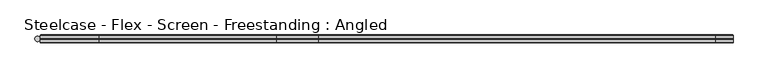
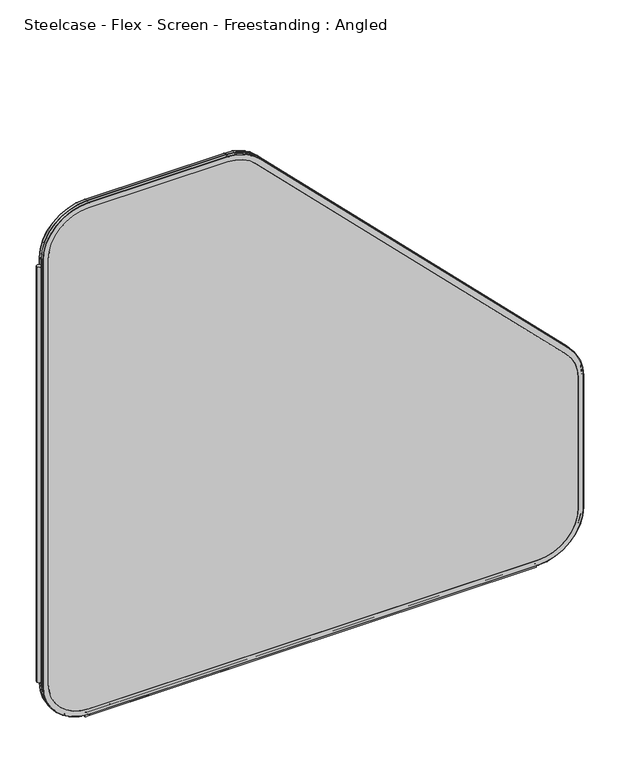
"""IFC4 building model written with IfcOpenShell, lengths in millimetres: furniture geometry, Steelcase - Flex - Screen - Freestanding : Angled."""

from ifc_helpers import new_model, si_unit, point, frame, frame_2d, origin, place, context, project, spatial, polyline, circle_curve, ellipse_curve, trimmed, segment, composite_curve, outline, extrude, source, transform, mapped, element, save
from ifc_brep_helpers import plane_surface, cylinder_surface, revolved_surface, advanced_brep


def steelcase_flex_screen_freestanding_angled_8fabaf15(model_context):
    return source(origin(), model_context, "Body", "SolidModel", [
        extrude(outline(composite_curve([segment(trimmed(circle_curve(frame_2d((4.5307839, 0.0)), 4.572), [point((-0.0412161, 0.0))], [point((9.1027839, 0.0))], False, "CARTESIAN"), True, "CONTINUOUS"), segment(trimmed(circle_curve(frame_2d((4.5307839, 0.0)), 4.572), [point((9.1027839, 0.0))], [point((-0.0412161, 0.0))], False, "CARTESIAN"), True, "CONTINUOUS")], self_intersect=False)), frame((0.0, 0.0, 115.57), z_axis=(0.0, 0.0, 1.0), x_axis=(1.0, 0.0, 0.0)), (0.0, 0.0, 1.0), 969.9585855),
        advanced_brep(
        [(110.7653521, 5.9845715, 4.9996464), (9.1653521, 5.9845715, 106.5996464), (10.0387806, 6.858, 106.5996464), (110.7653521, 6.858, 5.8730749), (110.7653521, 0.762, 4.9996464), (9.1653521, 0.762, 106.5996464), (110.7653521, 0.0, 5.7616464), (9.9273521, 0.0, 106.5996464), (110.7653521, 6.858, 17.6996464), (21.8653521, 6.858, 106.5996464), (21.8653521, 0.0, 106.5996464), (110.7653521, 0.0, 17.6996464), (1103.6053316, 6.858, 5.8730749), (1103.6053316, 5.9845715, 4.9996464), (1103.6053316, 0.762, 4.9996464), (1103.6053316, 0.0, 5.7616464), (1103.6053316, 0.0, 17.6996464), (1103.6053316, 6.858, 17.6996464), (1205.2053316, 5.9845715, 106.5996464), (1204.3319031, 6.858, 106.5996464), (1205.2053316, 0.762, 106.5996464), (1204.4433316, 0.0, 106.5996464), (1192.5053316, 6.858, 106.5996464), (1192.5053316, 0.0, 106.5996464), (1204.3319031, 6.858, 413.7098783), (1205.2053316, 5.9845715, 413.7098783), (1205.2053316, 0.762, 413.7098783), (1204.4433316, 0.0, 413.7098783), (1192.5053316, 0.0, 413.7098783), (1192.5053316, 6.858, 413.7098783), (1175.4473806, 5.9845715, 485.5519272), (1174.8297734, 6.858, 484.93432), (1175.4473806, 0.762, 485.5519272), (1174.9085652, 0.0, 485.0131119), (1166.4671245, 6.858, 476.5716711), (1166.4671245, 0.0, 476.5716711), (489.0410661, 6.858, 1170.7230273), (489.6586733, 5.9845715, 1171.3406345), (489.6586733, 0.762, 1171.3406345), (489.119858, 0.0, 1170.8018191), (480.6784172, 0.0, 1162.3603784), (480.6784172, 6.858, 1162.3603784), (417.8166244, 5.9845715, 1201.0985855), (417.8166244, 6.858, 1200.225157), (417.8166244, 0.762, 1201.0985855), (417.8166244, 0.0, 1200.3365855), (417.8166244, 6.858, 1188.3985855), (417.8166244, 0.0, 1188.3985855), (110.7653521, 6.858, 1200.225157), (110.7653521, 5.9845715, 1201.0985855), (110.7653521, 0.762, 1201.0985855), (110.7653521, 0.0, 1200.3365855), (110.7653521, 0.0, 1188.3985855), (110.7653521, 6.858, 1188.3985855), (9.1653521, 5.9845715, 1099.4985855), (10.0387806, 6.858, 1099.4985855), (9.1653521, 0.762, 1099.4985855), (9.9273521, 0.0, 1099.4985855), (21.8653521, 6.858, 1099.4985855), (21.8653521, 0.0, 1099.4985855)],
        [
            (0, 1, circle_curve(frame((110.7653521, 5.9845715, 106.5996464), z_axis=(0.0, 1.0, 0.0), x_axis=(-1.0, 0.0, 0.0)), 101.6)),
            (1, 2, circle_curve(frame((10.0387806, 5.9845715, 106.5996464), z_axis=(0.0, 0.0, -1.0), x_axis=(0.0, -1.0, 0.0)), 0.8734285)),
            (2, 3, circle_curve(frame((110.7653521, 6.858, 106.5996464), z_axis=(0.0, -1.0, 0.0), x_axis=(-1.0, 0.0, 0.0)), 100.7265715)),
            (3, 0, circle_curve(frame((110.7653521, 5.9845715, 5.8730749), z_axis=(-1.0, 0.0, 0.0), x_axis=(0.0, -1.0, 0.0)), 0.8734285)),
            (4, 5, circle_curve(frame((110.7653521, 0.762, 106.5996464), z_axis=(0.0, 1.0, 0.0), x_axis=(-1.0, 0.0, 0.0)), 101.6)),
            (5, 1),
            (0, 4),
            (6, 7, circle_curve(frame((110.7653521, 0.0, 106.5996464), z_axis=(0.0, 1.0, 0.0), x_axis=(-1.0, 0.0, 0.0)), 100.838)),
            (7, 5, circle_curve(frame((9.9273521, 0.762, 106.5996464), z_axis=(0.0, 0.0, -1.0), x_axis=(0.0, -1.0, 0.0)), 0.762)),
            (4, 6, circle_curve(frame((110.7653521, 0.762, 5.7616464), z_axis=(-1.0, 0.0, 0.0), x_axis=(0.0, -1.0, 0.0)), 0.762)),
            (8, 9, circle_curve(frame((110.7653521, 6.858, 106.5996464), z_axis=(0.0, 1.0, 0.0), x_axis=(-1.0, 0.0, 0.0)), 88.9)),
            (9, 10),
            (10, 11, circle_curve(frame((110.7653521, 0.0, 106.5996464), z_axis=(0.0, -1.0, 0.0), x_axis=(-1.0, 0.0, 0.0)), 88.9)),
            (11, 8),
            (3, 12),
            (12, 13, circle_curve(frame((1103.6053316, 5.9845715, 5.8730749), z_axis=(-1.0, 0.0, 0.0), x_axis=(0.0, -1.0, 0.0)), 0.8734285)),
            (13, 0),
            (13, 14),
            (14, 4),
            (14, 15, circle_curve(frame((1103.6053316, 0.762, 5.7616464), z_axis=(-1.0, 0.0, 0.0), x_axis=(0.0, -1.0, 0.0)), 0.762)),
            (15, 6),
            (11, 16),
            (16, 17),
            (17, 8),
            (18, 13, circle_curve(frame((1103.6053316, 5.9845715, 106.5996464), z_axis=(0.0, 1.0, 0.0), x_axis=(0.0, 0.0, -1.0)), 101.6)),
            (12, 19, circle_curve(frame((1103.6053316, 6.858, 106.5996464), z_axis=(0.0, -1.0, 0.0), x_axis=(0.0, 0.0, -1.0)), 100.7265715)),
            (19, 18, circle_curve(frame((1204.3319031, 5.9845715, 106.5996464), z_axis=(0.0, 0.0, -1.0), x_axis=(0.0, -1.0, 0.0)), 0.8734285)),
            (20, 14, circle_curve(frame((1103.6053316, 0.762, 106.5996464), z_axis=(0.0, 1.0, 0.0), x_axis=(0.0, 0.0, -1.0)), 101.6)),
            (18, 20),
            (21, 15, circle_curve(frame((1103.6053316, 0.0, 106.5996464), z_axis=(0.0, 1.0, 0.0), x_axis=(0.0, 0.0, -1.0)), 100.838)),
            (20, 21, circle_curve(frame((1204.4433316, 0.762, 106.5996464), z_axis=(0.0, 0.0, -1.0), x_axis=(0.0, -1.0, 0.0)), 0.762)),
            (22, 17, circle_curve(frame((1103.6053316, 6.858, 106.5996464), z_axis=(0.0, 1.0, 0.0), x_axis=(0.0, 0.0, -1.0)), 88.9)),
            (16, 23, circle_curve(frame((1103.6053316, 0.0, 106.5996464), z_axis=(0.0, -1.0, 0.0), x_axis=(0.0, 0.0, -1.0)), 88.9)),
            (23, 22),
            (19, 24),
            (24, 25, circle_curve(frame((1204.3319031, 5.9845715, 413.7098783), z_axis=(0.0, 0.0, -1.0), x_axis=(0.0, -1.0, 0.0)), 0.8734285)),
            (25, 18),
            (25, 26),
            (26, 20),
            (26, 27, circle_curve(frame((1204.4433316, 0.762, 413.7098783), z_axis=(0.0, 0.0, -1.0), x_axis=(0.0, -1.0, 0.0)), 0.762)),
            (27, 21),
            (23, 28),
            (28, 29),
            (29, 22),
            (30, 25, circle_curve(frame((1103.6053316, 5.9845715, 413.7098783), z_axis=(0.0, 1.0, 0.0), x_axis=(1.0, 0.0, 0.0)), 101.6)),
            (24, 31, circle_curve(frame((1103.6053316, 6.858, 413.7098783), z_axis=(0.0, -1.0, 0.0), x_axis=(1.0, 0.0, 0.0)), 100.7265715)),
            (31, 30, circle_curve(frame((1174.8297734, 5.9845715, 484.93432), z_axis=(0.7071067811865452, 0.0, -0.7071067811865498), x_axis=(0.0, -1.0, 0.0)), 0.8734285)),
            (32, 26, circle_curve(frame((1103.6053316, 0.762, 413.7098783), z_axis=(0.0, 1.0, 0.0), x_axis=(1.0, 0.0, 0.0)), 101.6)),
            (30, 32),
            (33, 27, circle_curve(frame((1103.6053316, 0.0, 413.7098783), z_axis=(0.0, 1.0, 0.0), x_axis=(1.0, 0.0, 0.0)), 100.838)),
            (32, 33, circle_curve(frame((1174.9085652, 0.762, 485.0131119), z_axis=(0.7071067811865456, 0.0, -0.7071067811865496), x_axis=(0.0, -1.0, 0.0)), 0.762)),
            (34, 29, circle_curve(frame((1103.6053316, 6.858, 413.7098783), z_axis=(0.0, 1.0, 0.0), x_axis=(1.0, 0.0, 0.0)), 88.9)),
            (28, 35, circle_curve(frame((1103.6053316, 0.0, 413.7098783), z_axis=(0.0, -1.0, 0.0), x_axis=(1.0, 0.0, 0.0)), 88.9)),
            (35, 34),
            (31, 36),
            (36, 37, circle_curve(frame((489.0410661, 5.9845715, 1170.7230273), z_axis=(0.7071067811865461, 0.0, -0.7071067811865489), x_axis=(0.0, -1.0, 0.0)), 0.8734285)),
            (37, 30),
            (37, 38),
            (38, 32),
            (38, 39, circle_curve(frame((489.119858, 0.762, 1170.8018191), z_axis=(0.7071067811865461, 0.0, -0.7071067811865489), x_axis=(0.0, -1.0, 0.0)), 0.762)),
            (39, 33),
            (35, 40),
            (40, 41),
            (41, 34),
            (42, 37, circle_curve(frame((417.8166244, 5.9845715, 1099.4985855), z_axis=(0.0, 1.0, 0.0), x_axis=(0.7071067811865533, 0.0, 0.7071067811865417)), 101.6)),
            (36, 43, circle_curve(frame((417.8166244, 6.858, 1099.4985855), z_axis=(0.0, -1.0, 0.0), x_axis=(0.7071067811865533, 0.0, 0.7071067811865417)), 100.7265715)),
            (43, 42, circle_curve(frame((417.8166244, 5.9845715, 1200.225157), z_axis=(1.0, 0.0, 0.0), x_axis=(0.0, -1.0, 0.0)), 0.8734285)),
            (44, 38, circle_curve(frame((417.8166244, 0.762, 1099.4985855), z_axis=(0.0, 1.0, 0.0), x_axis=(0.7071067811865533, 0.0, 0.7071067811865417)), 101.6)),
            (42, 44),
            (45, 39, circle_curve(frame((417.8166244, 0.0, 1099.4985855), z_axis=(0.0, 1.0, 0.0), x_axis=(0.7071067811865533, 0.0, 0.7071067811865417)), 100.838)),
            (44, 45, circle_curve(frame((417.8166244, 0.762, 1200.3365855), z_axis=(1.0, 0.0, 0.0), x_axis=(0.0, -1.0, 0.0)), 0.762)),
            (46, 41, circle_curve(frame((417.8166244, 6.858, 1099.4985855), z_axis=(0.0, 1.0, 0.0), x_axis=(0.7071067811865533, 0.0, 0.7071067811865417)), 88.9)),
            (40, 47, circle_curve(frame((417.8166244, 0.0, 1099.4985855), z_axis=(0.0, -1.0, 0.0), x_axis=(0.7071067811865533, 0.0, 0.7071067811865417)), 88.9)),
            (47, 46),
            (43, 48),
            (48, 49, circle_curve(frame((110.7653521, 5.9845715, 1200.225157), z_axis=(1.0, 0.0, 0.0), x_axis=(0.0, -1.0, 0.0)), 0.8734285)),
            (49, 42),
            (49, 50),
            (50, 44),
            (50, 51, circle_curve(frame((110.7653521, 0.762, 1200.3365855), z_axis=(1.0, 0.0, 0.0), x_axis=(0.0, -1.0, 0.0)), 0.762)),
            (51, 45),
            (47, 52),
            (52, 53),
            (53, 46),
            (54, 49, circle_curve(frame((110.7653521, 5.9845715, 1099.4985855), z_axis=(0.0, 1.0, 0.0), x_axis=(0.0, 0.0, 1.0)), 101.6)),
            (48, 55, circle_curve(frame((110.7653521, 6.858, 1099.4985855), z_axis=(0.0, -1.0, 0.0), x_axis=(0.0, 0.0, 1.0)), 100.7265715)),
            (55, 54, circle_curve(frame((10.0387806, 5.9845715, 1099.4985855), z_axis=(0.0, 0.0, 1.0), x_axis=(0.0, -1.0, 0.0)), 0.8734285)),
            (56, 50, circle_curve(frame((110.7653521, 0.762, 1099.4985855), z_axis=(0.0, 1.0, 0.0), x_axis=(0.0, 0.0, 1.0)), 101.6)),
            (54, 56),
            (57, 51, circle_curve(frame((110.7653521, 0.0, 1099.4985855), z_axis=(0.0, 1.0, 0.0), x_axis=(0.0, 0.0, 1.0)), 100.838)),
            (56, 57, circle_curve(frame((9.9273521, 0.762, 1099.4985855), z_axis=(0.0, 0.0, 1.0), x_axis=(0.0, -1.0, 0.0)), 0.762)),
            (58, 53, circle_curve(frame((110.7653521, 6.858, 1099.4985855), z_axis=(0.0, 1.0, 0.0), x_axis=(0.0, 0.0, 1.0)), 88.9)),
            (52, 59, circle_curve(frame((110.7653521, 0.0, 1099.4985855), z_axis=(0.0, -1.0, 0.0), x_axis=(0.0, 0.0, 1.0)), 88.9)),
            (59, 58),
            (2, 55),
            (58, 9),
            (1, 54),
            (5, 56),
            (7, 57),
            (10, 59),
        ],
        [
            revolved_surface(trimmed(ellipse_curve(frame((10.0387806, 5.9845715, 106.5996464), z_axis=(0.0, 0.0, 1.0), x_axis=(0.0, -1.0, 0.0)), 0.8734285, 0.8734285), [point((10.0387806, 6.858, 106.5996464))], [point((9.1653521, 5.9845715, 106.5996464))], True, "CARTESIAN"), (110.7653521, 0.0, 106.5996464), (0.0, -1.0, 0.0)),
            cylinder_surface(frame((110.7653521, 0.0, 106.5996464), z_axis=(0.0, -1.0, 0.0), x_axis=(-1.0, 0.0, 0.0)), 101.6),
            revolved_surface(trimmed(ellipse_curve(frame((9.9273521, 0.762, 106.5996464), z_axis=(0.0, 0.0, 1.0), x_axis=(0.0, -1.0, 0.0)), 0.762, 0.762), [point((9.1653521, 0.762, 106.5996464))], [point((9.9273521, 0.0, 106.5996464))], True, "CARTESIAN"), (110.7653521, 0.0, 106.5996464), (0.0, -1.0, 0.0)),
            revolved_surface(polyline([(21.865352099999996, 0.0, 106.5996464), (21.865352099999996, 6.858, 106.5996464)]), (110.7653521, 0.0, 106.5996464), (0.0, -1.0, 0.0)),
            cylinder_surface(frame((110.7653521, 5.9845715, 5.8730749), z_axis=(-1.0, 0.0, 0.0), x_axis=(0.0, -1.0, 0.0)), 0.8734285),
            plane_surface(frame((110.7653521, 5.9845715, 4.9996464), z_axis=(0.0, 0.0, -1.0), x_axis=(1.0, 0.0, 0.0))),
            cylinder_surface(frame((110.7653521, 0.762, 5.7616464), z_axis=(-1.0, 0.0, 0.0), x_axis=(0.0, -1.0, 0.0)), 0.762),
            plane_surface(frame((110.7653521, 0.0, 17.6996464), z_axis=(0.0, 0.0, 1.0), x_axis=(1.0, 0.0, 0.0))),
            revolved_surface(trimmed(ellipse_curve(frame((1103.6053316, 5.9845715, 5.8730749), z_axis=(-1.0, 0.0, 0.0), x_axis=(0.0, -1.0, 0.0)), 0.8734285, 0.8734285), [point((1103.6053316, 6.858, 5.8730749))], [point((1103.6053316, 5.9845715, 4.9996464))], True, "CARTESIAN"), (1103.6053316, 0.0, 106.5996464), (0.0, -1.0, 0.0)),
            cylinder_surface(frame((1103.6053316, 0.0, 106.5996464), z_axis=(0.0, -1.0, 0.0), x_axis=(0.0, 0.0, -1.0)), 101.6),
            revolved_surface(trimmed(ellipse_curve(frame((1103.6053316, 0.762, 5.7616464), z_axis=(-1.0, 0.0, 0.0), x_axis=(0.0, -1.0, 0.0)), 0.762, 0.762), [point((1103.6053316, 0.762, 4.9996464))], [point((1103.6053316, 0.0, 5.7616464))], True, "CARTESIAN"), (1103.6053316, 0.0, 106.5996464), (0.0, -1.0, 0.0)),
            revolved_surface(polyline([(1103.6053316, 0.0, 17.699646399999992), (1103.6053316, 6.858, 17.699646399999992)]), (1103.6053316, 0.0, 106.5996464), (0.0, -1.0, 0.0)),
            cylinder_surface(frame((1204.3319031, 5.9845715, 106.5996464), z_axis=(0.0, 0.0, -1.0), x_axis=(0.0, -1.0, 0.0)), 0.8734285),
            plane_surface(frame((1205.2053316, 5.9845715, 106.5996464), z_axis=(1.0, 0.0, 0.0), x_axis=(0.0, 0.0, 1.0))),
            cylinder_surface(frame((1204.4433316, 0.762, 106.5996464), z_axis=(0.0, 0.0, -1.0), x_axis=(0.0, -1.0, 0.0)), 0.762),
            plane_surface(frame((1192.5053316, 0.0, 106.5996464), z_axis=(-1.0, 0.0, 0.0), x_axis=(0.0, 0.0, 1.0))),
            revolved_surface(trimmed(ellipse_curve(frame((1204.3319031, 5.9845715, 413.7098783), z_axis=(0.0, 0.0, -1.0), x_axis=(0.0, -1.0, 0.0)), 0.8734285, 0.8734285), [point((1204.3319031, 6.858, 413.7098783))], [point((1205.2053316, 5.9845715, 413.7098783))], True, "CARTESIAN"), (1103.6053316, 0.0, 413.7098783), (0.0, -1.0, 0.0)),
            cylinder_surface(frame((1103.6053316, 0.0, 413.7098783), z_axis=(0.0, -1.0, 0.0), x_axis=(1.0, 0.0, 0.0)), 101.6),
            revolved_surface(trimmed(ellipse_curve(frame((1204.4433316, 0.762, 413.7098783), z_axis=(0.0, 0.0, -1.0), x_axis=(0.0, -1.0, 0.0)), 0.762, 0.762), [point((1205.2053316, 0.762, 413.7098783))], [point((1204.4433316, 0.0, 413.7098783))], True, "CARTESIAN"), (1103.6053316, 0.0, 413.7098783), (0.0, -1.0, 0.0)),
            revolved_surface(polyline([(1192.5053316, 0.0, 413.7098783), (1192.5053316, 6.858, 413.7098783)]), (1103.6053316, 0.0, 413.7098783), (0.0, -1.0, 0.0)),
            cylinder_surface(frame((1174.8297734, 5.9845715, 484.93432), z_axis=(0.7071067811865461, 0.0, -0.7071067811865489), x_axis=(0.0, -1.0, 0.0)), 0.8734285),
            plane_surface(frame((1175.4473806, 5.9845715, 485.5519272), z_axis=(0.7071067811865491, 0.0, 0.707106781186546), x_axis=(-0.707106781186546, 0.0, 0.7071067811865491))),
            cylinder_surface(frame((1174.9085652, 0.762, 485.0131119), z_axis=(0.7071067811865461, 0.0, -0.7071067811865489), x_axis=(0.0, -1.0, 0.0)), 0.762),
            plane_surface(frame((1166.4671245, 0.0, 476.5716711), z_axis=(-0.7071067811865491, 0.0, -0.7071067811865459), x_axis=(-0.7071067811865459, 0.0, 0.7071067811865491))),
            revolved_surface(trimmed(ellipse_curve(frame((489.0410661, 5.9845715, 1170.7230273), z_axis=(0.7071067811865419, 0.0, -0.7071067811865531), x_axis=(0.0, -1.0, 0.0)), 0.8734285, 0.8734285), [point((489.0410661, 6.858, 1170.7230273))], [point((489.6586733, 5.9845715, 1171.3406345))], True, "CARTESIAN"), (417.8166244, 0.0, 1099.4985855), (0.0, -1.0, 0.0)),
            cylinder_surface(frame((417.8166244, 0.0, 1099.4985855), z_axis=(0.0, -1.0, 0.0), x_axis=(0.7071067811865533, 0.0, 0.7071067811865417)), 101.6),
            revolved_surface(trimmed(ellipse_curve(frame((489.119858, 0.762, 1170.8018191), z_axis=(0.7071067811865419, 0.0, -0.7071067811865531), x_axis=(0.0, -1.0, 0.0)), 0.762, 0.762), [point((489.6586733, 0.762, 1171.3406345))], [point((489.119858, 0.0, 1170.8018191))], True, "CARTESIAN"), (417.8166244, 0.0, 1099.4985855), (0.0, -1.0, 0.0)),
            revolved_surface(polyline([(480.6784172474846, 0.0, 1162.3603783474834), (480.6784172474846, 6.858, 1162.3603783474834)]), (417.8166244, 0.0, 1099.4985855), (0.0, -1.0, 0.0)),
            cylinder_surface(frame((417.8166244, 5.9845715, 1200.225157), z_axis=(1.0, 0.0, 0.0), x_axis=(0.0, -1.0, 0.0)), 0.8734285),
            plane_surface(frame((417.8166244, 5.9845715, 1201.0985855), z_axis=(0.0, 0.0, 1.0), x_axis=(-1.0, 0.0, 0.0))),
            cylinder_surface(frame((417.8166244, 0.762, 1200.3365855), z_axis=(1.0, 0.0, 0.0), x_axis=(0.0, -1.0, 0.0)), 0.762),
            plane_surface(frame((417.8166244, 0.0, 1188.3985855), z_axis=(0.0, 0.0, -1.0), x_axis=(-1.0, 0.0, 0.0))),
            revolved_surface(trimmed(ellipse_curve(frame((110.7653521, 5.9845715, 1200.225157), z_axis=(1.0, 0.0, 0.0), x_axis=(0.0, -1.0, 0.0)), 0.8734285, 0.8734285), [point((110.7653521, 6.858, 1200.225157))], [point((110.7653521, 5.9845715, 1201.0985855))], True, "CARTESIAN"), (110.7653521, 0.0, 1099.4985855), (0.0, -1.0, 0.0)),
            cylinder_surface(frame((110.7653521, 0.0, 1099.4985855), z_axis=(0.0, -1.0, 0.0), x_axis=(0.0, 0.0, 1.0)), 101.6),
            revolved_surface(trimmed(ellipse_curve(frame((110.7653521, 0.762, 1200.3365855), z_axis=(1.0, 0.0, 0.0), x_axis=(0.0, -1.0, 0.0)), 0.762, 0.762), [point((110.7653521, 0.762, 1201.0985855))], [point((110.7653521, 0.0, 1200.3365855))], True, "CARTESIAN"), (110.7653521, 0.0, 1099.4985855), (0.0, -1.0, 0.0)),
            revolved_surface(polyline([(110.7653521, 0.0, 1188.3985855), (110.7653521, 6.858, 1188.3985855)]), (110.7653521, 0.0, 1099.4985855), (0.0, -1.0, 0.0)),
            plane_surface(frame((21.8653521, 6.858, 1099.4985855), z_axis=(0.0, 1.0, 0.0), x_axis=(0.0, 0.0, -1.0))),
            cylinder_surface(frame((10.0387806, 5.9845715, 1099.4985855), z_axis=(0.0, 0.0, 1.0), x_axis=(0.0, -1.0, 0.0)), 0.8734285),
            plane_surface(frame((9.1653521, 5.9845715, 1099.4985855), z_axis=(-1.0, 0.0, 0.0), x_axis=(0.0, 0.0, -1.0))),
            cylinder_surface(frame((9.9273521, 0.762, 1099.4985855), z_axis=(0.0, 0.0, 1.0), x_axis=(0.0, -1.0, 0.0)), 0.762),
            plane_surface(frame((9.9273521, 0.0, 1099.4985855), z_axis=(0.0, -1.0, 0.0), x_axis=(0.0, 0.0, -1.0))),
            plane_surface(frame((21.8653521, 0.0, 1099.4985855), z_axis=(1.0, 0.0, 0.0), x_axis=(0.0, 0.0, -1.0))),
        ],
        [
            (0, [[1, 2, 3, 4]]),
            (1, [[5, 6, -1, 7]]),
            (2, [[8, 9, -5, 10]]),
            (3, [[11, 12, 13, 14]]),
            (4, [[-4, 15, 16, 17]]),
            (5, [[-7, -17, 18, 19]]),
            (6, [[-10, -19, 20, 21]]),
            (7, [[-14, 22, 23, 24]]),
            (8, [[25, -16, 26, 27]]),
            (9, [[28, -18, -25, 29]]),
            (10, [[30, -20, -28, 31]]),
            (11, [[32, -23, 33, 34]]),
            (12, [[-27, 35, 36, 37]]),
            (13, [[-29, -37, 38, 39]]),
            (14, [[-31, -39, 40, 41]]),
            (15, [[-34, 42, 43, 44]]),
            (16, [[45, -36, 46, 47]]),
            (17, [[48, -38, -45, 49]]),
            (18, [[50, -40, -48, 51]]),
            (19, [[52, -43, 53, 54]]),
            (20, [[-47, 55, 56, 57]]),
            (21, [[-49, -57, 58, 59]]),
            (22, [[-51, -59, 60, 61]]),
            (23, [[-54, 62, 63, 64]]),
            (24, [[65, -56, 66, 67]]),
            (25, [[68, -58, -65, 69]]),
            (26, [[70, -60, -68, 71]]),
            (27, [[72, -63, 73, 74]]),
            (28, [[-67, 75, 76, 77]]),
            (29, [[-69, -77, 78, 79]]),
            (30, [[-71, -79, 80, 81]]),
            (31, [[-74, 82, 83, 84]]),
            (32, [[85, -76, 86, 87]]),
            (33, [[88, -78, -85, 89]]),
            (34, [[90, -80, -88, 91]]),
            (35, [[92, -83, 93, 94]]),
            (36, [[95, -86, -75, -66, -55, -46, -35, -26, -15, -3], [-84, -92, 96, -11, -24, -32, -44, -52, -64, -72]]),
            (37, [[-87, -95, -2, 97]]),
            (38, [[-89, -97, -6, 98]]),
            (39, [[-91, -98, -9, 99]]),
            (40, [[-81, -90, -99, -8, -21, -30, -41, -50, -61, -70], [100, -93, -82, -73, -62, -53, -42, -33, -22, -13]]),
            (41, [[-94, -100, -12, -96]]),
        ],
    ),
        advanced_brep(
        [(110.7653521, -0.762, 4.9996464), (9.1653521, -0.762, 106.5996464), (9.9273521, 0.0, 106.5996464), (110.7653521, 0.0, 5.7616464), (110.7653521, -6.096, 4.9996464), (9.1653521, -6.096, 106.5996464), (110.7653521, -6.858, 5.7616464), (9.9273521, -6.858, 106.5996464), (110.7653521, 0.0, 17.6996464), (21.8653521, 0.0, 106.5996464), (21.8653521, -6.858, 106.5996464), (110.7653521, -6.858, 17.6996464), (1103.6053316, 0.0, 5.7616464), (1103.6053316, -0.762, 4.9996464), (1103.6053316, -6.096, 4.9996464), (1103.6053316, -6.858, 5.7616464), (1103.6053316, -6.858, 17.6996464), (1103.6053316, 0.0, 17.6996464), (1205.2053316, -0.762, 106.5996464), (1204.4433316, 0.0, 106.5996464), (1205.2053316, -6.096, 106.5996464), (1204.4433316, -6.858, 106.5996464), (1192.5053316, 0.0, 106.5996464), (1192.5053316, -6.858, 106.5996464), (1204.4433316, 0.0, 413.7098783), (1205.2053316, -0.762, 413.7098783), (1205.2053316, -6.096, 413.7098783), (1204.4433316, -6.858, 413.7098783), (1192.5053316, -6.858, 413.7098783), (1192.5053316, 0.0, 413.7098783), (1175.4473806, -0.762, 485.5519272), (1174.9085652, 0.0, 485.0131119), (1175.4473806, -6.096, 485.5519272), (1174.9085652, -6.858, 485.0131119), (1166.4671245, 0.0, 476.5716711), (1166.4671245, -6.858, 476.5716711), (489.119858, 0.0, 1170.8018191), (489.6586733, -0.762, 1171.3406345), (489.6586733, -6.096, 1171.3406345), (489.119858, -6.858, 1170.8018191), (480.6784172, -6.858, 1162.3603784), (480.6784172, 0.0, 1162.3603784), (417.8166244, -0.762, 1201.0985855), (417.8166244, 0.0, 1200.3365855), (417.8166244, -6.096, 1201.0985855), (417.8166244, -6.858, 1200.3365855), (417.8166244, 0.0, 1188.3985855), (417.8166244, -6.858, 1188.3985855), (110.7653521, 0.0, 1200.3365855), (110.7653521, -0.762, 1201.0985855), (110.7653521, -6.096, 1201.0985855), (110.7653521, -6.858, 1200.3365855), (110.7653521, -6.858, 1188.3985855), (110.7653521, 0.0, 1188.3985855), (9.1653521, -0.762, 1099.4985855), (9.9273521, 0.0, 1099.4985855), (9.1653521, -6.096, 1099.4985855), (9.9273521, -6.858, 1099.4985855), (21.8653521, 0.0, 1099.4985855), (21.8653521, -6.858, 1099.4985855)],
        [
            (0, 1, circle_curve(frame((110.7653521, -0.762, 106.5996464), z_axis=(0.0, 1.0, 0.0), x_axis=(-1.0, 0.0, 0.0)), 101.6)),
            (1, 2, circle_curve(frame((9.9273521, -0.762, 106.5996464), z_axis=(0.0, 0.0, -1.0), x_axis=(0.0, -1.0, 0.0)), 0.762)),
            (2, 3, circle_curve(frame((110.7653521, 0.0, 106.5996464), z_axis=(0.0, -1.0, 0.0), x_axis=(-1.0, 0.0, 0.0)), 100.838)),
            (3, 0, circle_curve(frame((110.7653521, -0.762, 5.7616464), z_axis=(-1.0, 0.0, 0.0), x_axis=(0.0, -1.0, 0.0)), 0.762)),
            (4, 5, circle_curve(frame((110.7653521, -6.096, 106.5996464), z_axis=(0.0, 1.0, 0.0), x_axis=(-1.0, 0.0, 0.0)), 101.6)),
            (5, 1),
            (0, 4),
            (6, 7, circle_curve(frame((110.7653521, -6.858, 106.5996464), z_axis=(0.0, 1.0, 0.0), x_axis=(-1.0, 0.0, 0.0)), 100.838)),
            (7, 5, circle_curve(frame((9.9273521, -6.096, 106.5996464), z_axis=(0.0, 0.0, -1.0), x_axis=(0.0, -1.0, 0.0)), 0.762)),
            (4, 6, circle_curve(frame((110.7653521, -6.096, 5.7616464), z_axis=(-1.0, 0.0, 0.0), x_axis=(0.0, -1.0, 0.0)), 0.762)),
            (8, 9, circle_curve(frame((110.7653521, 0.0, 106.5996464), z_axis=(0.0, 1.0, 0.0), x_axis=(-1.0, 0.0, 0.0)), 88.9)),
            (9, 10),
            (10, 11, circle_curve(frame((110.7653521, -6.858, 106.5996464), z_axis=(0.0, -1.0, 0.0), x_axis=(-1.0, 0.0, 0.0)), 88.9)),
            (11, 8),
            (3, 12),
            (12, 13, circle_curve(frame((1103.6053316, -0.762, 5.7616464), z_axis=(-1.0, 0.0, 0.0), x_axis=(0.0, -1.0, 0.0)), 0.762)),
            (13, 0),
            (13, 14),
            (14, 4),
            (14, 15, circle_curve(frame((1103.6053316, -6.096, 5.7616464), z_axis=(-1.0, 0.0, 0.0), x_axis=(0.0, -1.0, 0.0)), 0.762)),
            (15, 6),
            (11, 16),
            (16, 17),
            (17, 8),
            (18, 13, circle_curve(frame((1103.6053316, -0.762, 106.5996464), z_axis=(0.0, 1.0, 0.0), x_axis=(0.0, 0.0, -1.0)), 101.6)),
            (12, 19, circle_curve(frame((1103.6053316, 0.0, 106.5996464), z_axis=(0.0, -1.0, 0.0), x_axis=(0.0, 0.0, -1.0)), 100.838)),
            (19, 18, circle_curve(frame((1204.4433316, -0.762, 106.5996464), z_axis=(0.0, 0.0, -1.0), x_axis=(0.0, -1.0, 0.0)), 0.762)),
            (20, 14, circle_curve(frame((1103.6053316, -6.096, 106.5996464), z_axis=(0.0, 1.0, 0.0), x_axis=(0.0, 0.0, -1.0)), 101.6)),
            (18, 20),
            (21, 15, circle_curve(frame((1103.6053316, -6.858, 106.5996464), z_axis=(0.0, 1.0, 0.0), x_axis=(0.0, 0.0, -1.0)), 100.838)),
            (20, 21, circle_curve(frame((1204.4433316, -6.096, 106.5996464), z_axis=(0.0, 0.0, -1.0), x_axis=(0.0, -1.0, 0.0)), 0.762)),
            (22, 17, circle_curve(frame((1103.6053316, 0.0, 106.5996464), z_axis=(0.0, 1.0, 0.0), x_axis=(0.0, 0.0, -1.0)), 88.9)),
            (16, 23, circle_curve(frame((1103.6053316, -6.858, 106.5996464), z_axis=(0.0, -1.0, 0.0), x_axis=(0.0, 0.0, -1.0)), 88.9)),
            (23, 22),
            (19, 24),
            (24, 25, circle_curve(frame((1204.4433316, -0.762, 413.7098783), z_axis=(0.0, 0.0, -1.0), x_axis=(0.0, -1.0, 0.0)), 0.762)),
            (25, 18),
            (25, 26),
            (26, 20),
            (26, 27, circle_curve(frame((1204.4433316, -6.096, 413.7098783), z_axis=(0.0, 0.0, -1.0), x_axis=(0.0, -1.0, 0.0)), 0.762)),
            (27, 21),
            (23, 28),
            (28, 29),
            (29, 22),
            (30, 25, circle_curve(frame((1103.6053316, -0.762, 413.7098783), z_axis=(0.0, 1.0, 0.0), x_axis=(1.0, 0.0, 0.0)), 101.6)),
            (24, 31, circle_curve(frame((1103.6053316, 0.0, 413.7098783), z_axis=(0.0, -1.0, 0.0), x_axis=(1.0, 0.0, 0.0)), 100.838)),
            (31, 30, circle_curve(frame((1174.9085652, -0.762, 485.0131119), z_axis=(0.7071067811865452, 0.0, -0.7071067811865498), x_axis=(0.0, -1.0, 0.0)), 0.762)),
            (32, 26, circle_curve(frame((1103.6053316, -6.096, 413.7098783), z_axis=(0.0, 1.0, 0.0), x_axis=(1.0, 0.0, 0.0)), 101.6)),
            (30, 32),
            (33, 27, circle_curve(frame((1103.6053316, -6.858, 413.7098783), z_axis=(0.0, 1.0, 0.0), x_axis=(1.0, 0.0, 0.0)), 100.838)),
            (32, 33, circle_curve(frame((1174.9085652, -6.096, 485.0131119), z_axis=(0.7071067811865449, 0.0, -0.7071067811865501), x_axis=(0.0, -1.0, 0.0)), 0.762)),
            (34, 29, circle_curve(frame((1103.6053316, 0.0, 413.7098783), z_axis=(0.0, 1.0, 0.0), x_axis=(1.0, 0.0, 0.0)), 88.9)),
            (28, 35, circle_curve(frame((1103.6053316, -6.858, 413.7098783), z_axis=(0.0, -1.0, 0.0), x_axis=(1.0, 0.0, 0.0)), 88.9)),
            (35, 34),
            (31, 36),
            (36, 37, circle_curve(frame((489.119858, -0.762, 1170.8018191), z_axis=(0.7071067811865462, 0.0, -0.707106781186549), x_axis=(0.0, -1.0, 0.0)), 0.762)),
            (37, 30),
            (37, 38),
            (38, 32),
            (38, 39, circle_curve(frame((489.119858, -6.096, 1170.8018191), z_axis=(0.7071067811865462, 0.0, -0.707106781186549), x_axis=(0.0, -1.0, 0.0)), 0.762)),
            (39, 33),
            (35, 40),
            (40, 41),
            (41, 34),
            (42, 37, circle_curve(frame((417.8166244, -0.762, 1099.4985855), z_axis=(0.0, 1.0, 0.0), x_axis=(0.7071067811865546, 0.0, 0.7071067811865404)), 101.6)),
            (36, 43, circle_curve(frame((417.8166244, 0.0, 1099.4985855), z_axis=(0.0, -1.0, 0.0), x_axis=(0.7071067811865546, 0.0, 0.7071067811865404)), 100.838)),
            (43, 42, circle_curve(frame((417.8166244, -0.762, 1200.3365855), z_axis=(0.9999999999999999, 0.0, 0.0), x_axis=(0.0, -1.0, 0.0)), 0.762)),
            (44, 38, circle_curve(frame((417.8166244, -6.096, 1099.4985855), z_axis=(0.0, 1.0, 0.0), x_axis=(0.7071067811865546, 0.0, 0.7071067811865404)), 101.6)),
            (42, 44),
            (45, 39, circle_curve(frame((417.8166244, -6.858, 1099.4985855), z_axis=(0.0, 1.0, 0.0), x_axis=(0.7071067811865546, 0.0, 0.7071067811865404)), 100.838)),
            (44, 45, circle_curve(frame((417.8166244, -6.096, 1200.3365855), z_axis=(0.9999999999999999, 0.0, 0.0), x_axis=(0.0, -1.0, 0.0)), 0.762)),
            (46, 41, circle_curve(frame((417.8166244, 0.0, 1099.4985855), z_axis=(0.0, 1.0, 0.0), x_axis=(0.7071067811865546, 0.0, 0.7071067811865404)), 88.9)),
            (40, 47, circle_curve(frame((417.8166244, -6.858, 1099.4985855), z_axis=(0.0, -1.0, 0.0), x_axis=(0.7071067811865546, 0.0, 0.7071067811865404)), 88.9)),
            (47, 46),
            (43, 48),
            (48, 49, circle_curve(frame((110.7653521, -0.762, 1200.3365855), z_axis=(1.0, 0.0, 0.0), x_axis=(0.0, -1.0, 0.0)), 0.762)),
            (49, 42),
            (49, 50),
            (50, 44),
            (50, 51, circle_curve(frame((110.7653521, -6.096, 1200.3365855), z_axis=(1.0, 0.0, 0.0), x_axis=(0.0, -1.0, 0.0)), 0.762)),
            (51, 45),
            (47, 52),
            (52, 53),
            (53, 46),
            (54, 49, circle_curve(frame((110.7653521, -0.762, 1099.4985855), z_axis=(0.0, 1.0, 0.0), x_axis=(0.0, 0.0, 1.0)), 101.6)),
            (48, 55, circle_curve(frame((110.7653521, 0.0, 1099.4985855), z_axis=(0.0, -1.0, 0.0), x_axis=(0.0, 0.0, 1.0)), 100.838)),
            (55, 54, circle_curve(frame((9.9273521, -0.762, 1099.4985855), z_axis=(0.0, 0.0, 1.0), x_axis=(0.0, -1.0, 0.0)), 0.762)),
            (56, 50, circle_curve(frame((110.7653521, -6.096, 1099.4985855), z_axis=(0.0, 1.0, 0.0), x_axis=(0.0, 0.0, 1.0)), 101.6)),
            (54, 56),
            (57, 51, circle_curve(frame((110.7653521, -6.858, 1099.4985855), z_axis=(0.0, 1.0, 0.0), x_axis=(0.0, 0.0, 1.0)), 100.838)),
            (56, 57, circle_curve(frame((9.9273521, -6.096, 1099.4985855), z_axis=(0.0, 0.0, 1.0), x_axis=(0.0, -1.0, 0.0)), 0.762)),
            (58, 53, circle_curve(frame((110.7653521, 0.0, 1099.4985855), z_axis=(0.0, 1.0, 0.0), x_axis=(0.0, 0.0, 1.0)), 88.9)),
            (52, 59, circle_curve(frame((110.7653521, -6.858, 1099.4985855), z_axis=(0.0, -1.0, 0.0), x_axis=(0.0, 0.0, 1.0)), 88.9)),
            (59, 58),
            (2, 55),
            (58, 9),
            (1, 54),
            (5, 56),
            (7, 57),
            (10, 59),
        ],
        [
            revolved_surface(trimmed(ellipse_curve(frame((9.9273521, -0.762, 106.5996464), z_axis=(0.0, 0.0, 1.0), x_axis=(0.0, -1.0, 0.0)), 0.762, 0.762), [point((9.9273521, 0.0, 106.5996464))], [point((9.1653521, -0.762, 106.5996464))], True, "CARTESIAN"), (110.7653521, 0.0, 106.5996464), (0.0, -1.0, 0.0)),
            cylinder_surface(frame((110.7653521, 0.0, 106.5996464), z_axis=(0.0, -1.0, 0.0), x_axis=(-1.0, 0.0, 0.0)), 101.6),
            revolved_surface(trimmed(ellipse_curve(frame((9.9273521, -6.096, 106.5996464), z_axis=(0.0, 0.0, 1.0), x_axis=(0.0, -1.0, 0.0)), 0.762, 0.762), [point((9.1653521, -6.096, 106.5996464))], [point((9.9273521, -6.858, 106.5996464))], True, "CARTESIAN"), (110.7653521, 0.0, 106.5996464), (0.0, -1.0, 0.0)),
            revolved_surface(polyline([(21.865352099999996, -6.858, 106.5996464), (21.865352099999996, 0.0, 106.5996464)]), (110.7653521, 0.0, 106.5996464), (0.0, -1.0, 0.0)),
            cylinder_surface(frame((110.7653521, -0.762, 5.7616464), z_axis=(-1.0, 0.0, 0.0), x_axis=(0.0, -1.0, 0.0)), 0.762),
            plane_surface(frame((110.7653521, -0.762, 4.9996464), z_axis=(0.0, 0.0, -1.0), x_axis=(1.0, 0.0, 0.0))),
            cylinder_surface(frame((110.7653521, -6.096, 5.7616464), z_axis=(-1.0, 0.0, 0.0), x_axis=(0.0, -1.0, 0.0)), 0.762),
            plane_surface(frame((110.7653521, -6.858, 17.6996464), z_axis=(0.0, 0.0, 1.0), x_axis=(1.0, 0.0, 0.0))),
            revolved_surface(trimmed(ellipse_curve(frame((1103.6053316, -0.762, 5.7616464), z_axis=(-1.0, 0.0, 0.0), x_axis=(0.0, -1.0, 0.0)), 0.762, 0.762), [point((1103.6053316, 0.0, 5.7616464))], [point((1103.6053316, -0.762, 4.9996464))], True, "CARTESIAN"), (1103.6053316, 0.0, 106.5996464), (0.0, -1.0, 0.0)),
            cylinder_surface(frame((1103.6053316, 0.0, 106.5996464), z_axis=(0.0, -1.0, 0.0), x_axis=(0.0, 0.0, -1.0)), 101.6),
            revolved_surface(trimmed(ellipse_curve(frame((1103.6053316, -6.096, 5.7616464), z_axis=(-1.0, 0.0, 0.0), x_axis=(0.0, -1.0, 0.0)), 0.762, 0.762), [point((1103.6053316, -6.096, 4.9996464))], [point((1103.6053316, -6.858, 5.7616464))], True, "CARTESIAN"), (1103.6053316, 0.0, 106.5996464), (0.0, -1.0, 0.0)),
            revolved_surface(polyline([(1103.6053316, -6.858, 17.699646399999992), (1103.6053316, 0.0, 17.699646399999992)]), (1103.6053316, 0.0, 106.5996464), (0.0, -1.0, 0.0)),
            cylinder_surface(frame((1204.4433316, -0.762, 106.5996464), z_axis=(0.0, 0.0, -1.0), x_axis=(0.0, -1.0, 0.0)), 0.762),
            plane_surface(frame((1205.2053316, -0.762, 106.5996464), z_axis=(1.0, 0.0, 0.0), x_axis=(0.0, 0.0, 1.0))),
            cylinder_surface(frame((1204.4433316, -6.096, 106.5996464), z_axis=(0.0, 0.0, -1.0), x_axis=(0.0, -1.0, 0.0)), 0.762),
            plane_surface(frame((1192.5053316, -6.858, 106.5996464), z_axis=(-1.0, 0.0, 0.0), x_axis=(0.0, 0.0, 1.0))),
            revolved_surface(trimmed(ellipse_curve(frame((1204.4433316, -0.762, 413.7098783), z_axis=(0.0, 0.0, -1.0), x_axis=(0.0, -1.0, 0.0)), 0.762, 0.762), [point((1204.4433316, 0.0, 413.7098783))], [point((1205.2053316, -0.762, 413.7098783))], True, "CARTESIAN"), (1103.6053316, 0.0, 413.7098783), (0.0, -1.0, 0.0)),
            cylinder_surface(frame((1103.6053316, 0.0, 413.7098783), z_axis=(0.0, -1.0, 0.0), x_axis=(1.0, 0.0, 0.0)), 101.6),
            revolved_surface(trimmed(ellipse_curve(frame((1204.4433316, -6.096, 413.7098783), z_axis=(0.0, 0.0, -1.0), x_axis=(0.0, -1.0, 0.0)), 0.762, 0.762), [point((1205.2053316, -6.096, 413.7098783))], [point((1204.4433316, -6.858, 413.7098783))], True, "CARTESIAN"), (1103.6053316, 0.0, 413.7098783), (0.0, -1.0, 0.0)),
            revolved_surface(polyline([(1192.5053316, -6.858, 413.7098783), (1192.5053316, 0.0, 413.7098783)]), (1103.6053316, 0.0, 413.7098783), (0.0, -1.0, 0.0)),
            cylinder_surface(frame((1174.9085652, -0.762, 485.0131119), z_axis=(0.7071067811865462, 0.0, -0.707106781186549), x_axis=(0.0, -1.0, 0.0)), 0.762),
            plane_surface(frame((1175.4473806, -0.762, 485.5519272), z_axis=(0.7071067811865491, 0.0, 0.707106781186546), x_axis=(-0.707106781186546, 0.0, 0.7071067811865491))),
            cylinder_surface(frame((1174.9085652, -6.096, 485.0131119), z_axis=(0.7071067811865462, 0.0, -0.707106781186549), x_axis=(0.0, -1.0, 0.0)), 0.762),
            plane_surface(frame((1166.4671245, -6.858, 476.5716711), z_axis=(-0.707106781186549, 0.0, -0.707106781186546), x_axis=(-0.707106781186546, 0.0, 0.707106781186549))),
            revolved_surface(trimmed(ellipse_curve(frame((489.119858, -0.762, 1170.8018191), z_axis=(0.7071067811865405, 0.0, -0.7071067811865545), x_axis=(0.0, -1.0, 0.0)), 0.762, 0.762), [point((489.119858, 0.0, 1170.8018191))], [point((489.6586733, -0.762, 1171.3406345))], True, "CARTESIAN"), (417.8166244, 0.0, 1099.4985855), (0.0, -1.0, 0.0)),
            cylinder_surface(frame((417.8166244, 0.0, 1099.4985855), z_axis=(0.0, -1.0, 0.0), x_axis=(0.7071067811865546, 0.0, 0.7071067811865404)), 101.6),
            revolved_surface(trimmed(ellipse_curve(frame((489.119858, -6.096, 1170.8018191), z_axis=(0.7071067811865405, 0.0, -0.7071067811865545), x_axis=(0.0, -1.0, 0.0)), 0.762, 0.762), [point((489.6586733, -6.096, 1171.3406345))], [point((489.119858, -6.858, 1170.8018191))], True, "CARTESIAN"), (417.8166244, 0.0, 1099.4985855), (0.0, -1.0, 0.0)),
            revolved_surface(polyline([(480.67841724748473, -6.858, 1162.3603783474834), (480.67841724748473, 0.0, 1162.3603783474834)]), (417.8166244, 0.0, 1099.4985855), (0.0, -1.0, 0.0)),
            cylinder_surface(frame((417.8166244, -0.762, 1200.3365855), z_axis=(1.0, 0.0, 0.0), x_axis=(0.0, -1.0, 0.0)), 0.762),
            plane_surface(frame((417.8166244, -0.762, 1201.0985855), z_axis=(0.0, 0.0, 1.0), x_axis=(-1.0, 0.0, 0.0))),
            cylinder_surface(frame((417.8166244, -6.096, 1200.3365855), z_axis=(1.0, 0.0, 0.0), x_axis=(0.0, -1.0, 0.0)), 0.762),
            plane_surface(frame((417.8166244, -6.858, 1188.3985855), z_axis=(0.0, 0.0, -1.0), x_axis=(-1.0, 0.0, 0.0))),
            revolved_surface(trimmed(ellipse_curve(frame((110.7653521, -0.762, 1200.3365855), z_axis=(1.0, 0.0, 0.0), x_axis=(0.0, -1.0, 0.0)), 0.762, 0.762), [point((110.7653521, 0.0, 1200.3365855))], [point((110.7653521, -0.762, 1201.0985855))], True, "CARTESIAN"), (110.7653521, 0.0, 1099.4985855), (0.0, -1.0, 0.0)),
            cylinder_surface(frame((110.7653521, 0.0, 1099.4985855), z_axis=(0.0, -1.0, 0.0), x_axis=(0.0, 0.0, 1.0)), 101.6),
            revolved_surface(trimmed(ellipse_curve(frame((110.7653521, -6.096, 1200.3365855), z_axis=(1.0, 0.0, 0.0), x_axis=(0.0, -1.0, 0.0)), 0.762, 0.762), [point((110.7653521, -6.096, 1201.0985855))], [point((110.7653521, -6.858, 1200.3365855))], True, "CARTESIAN"), (110.7653521, 0.0, 1099.4985855), (0.0, -1.0, 0.0)),
            revolved_surface(polyline([(110.7653521, -6.858, 1188.3985855), (110.7653521, 0.0, 1188.3985855)]), (110.7653521, 0.0, 1099.4985855), (0.0, -1.0, 0.0)),
            plane_surface(frame((21.8653521, 0.0, 1099.4985855), z_axis=(0.0, 1.0, 0.0), x_axis=(0.0, 0.0, -1.0))),
            cylinder_surface(frame((9.9273521, -0.762, 1099.4985855), z_axis=(0.0, 0.0, 1.0), x_axis=(0.0, -1.0, 0.0)), 0.762),
            plane_surface(frame((9.1653521, -0.762, 1099.4985855), z_axis=(-1.0, 0.0, 0.0), x_axis=(0.0, 0.0, -1.0))),
            cylinder_surface(frame((9.9273521, -6.096, 1099.4985855), z_axis=(0.0, 0.0, 1.0), x_axis=(0.0, -1.0, 0.0)), 0.762),
            plane_surface(frame((9.9273521, -6.858, 1099.4985855), z_axis=(0.0, -1.0, 0.0), x_axis=(0.0, 0.0, -1.0))),
            plane_surface(frame((21.8653521, -6.858, 1099.4985855), z_axis=(1.0, 0.0, 0.0), x_axis=(0.0, 0.0, -1.0))),
        ],
        [
            (0, [[1, 2, 3, 4]]),
            (1, [[5, 6, -1, 7]]),
            (2, [[8, 9, -5, 10]]),
            (3, [[11, 12, 13, 14]]),
            (4, [[-4, 15, 16, 17]]),
            (5, [[-7, -17, 18, 19]]),
            (6, [[-10, -19, 20, 21]]),
            (7, [[-14, 22, 23, 24]]),
            (8, [[25, -16, 26, 27]]),
            (9, [[28, -18, -25, 29]]),
            (10, [[30, -20, -28, 31]]),
            (11, [[32, -23, 33, 34]]),
            (12, [[-27, 35, 36, 37]]),
            (13, [[-29, -37, 38, 39]]),
            (14, [[-31, -39, 40, 41]]),
            (15, [[-34, 42, 43, 44]]),
            (16, [[45, -36, 46, 47]]),
            (17, [[48, -38, -45, 49]]),
            (18, [[50, -40, -48, 51]]),
            (19, [[52, -43, 53, 54]]),
            (20, [[-47, 55, 56, 57]]),
            (21, [[-49, -57, 58, 59]]),
            (22, [[-51, -59, 60, 61]]),
            (23, [[-54, 62, 63, 64]]),
            (24, [[65, -56, 66, 67]]),
            (25, [[68, -58, -65, 69]]),
            (26, [[70, -60, -68, 71]]),
            (27, [[72, -63, 73, 74]]),
            (28, [[-67, 75, 76, 77]]),
            (29, [[-69, -77, 78, 79]]),
            (30, [[-71, -79, 80, 81]]),
            (31, [[-74, 82, 83, 84]]),
            (32, [[85, -76, 86, 87]]),
            (33, [[88, -78, -85, 89]]),
            (34, [[90, -80, -88, 91]]),
            (35, [[92, -83, 93, 94]]),
            (36, [[95, -86, -75, -66, -55, -46, -35, -26, -15, -3], [-84, -92, 96, -11, -24, -32, -44, -52, -64, -72]]),
            (37, [[-87, -95, -2, 97]]),
            (38, [[-89, -97, -6, 98]]),
            (39, [[-91, -98, -9, 99]]),
            (40, [[-81, -90, -99, -8, -21, -30, -41, -50, -61, -70], [100, -93, -82, -73, -62, -53, -42, -33, -22, -13]]),
            (41, [[-94, -100, -12, -96]]),
        ],
    ),
        extrude(outline(composite_curve([segment(polyline([(1188.3985855, 417.8166244), (1188.3985855, 110.7653521)]), True, "CONTINUOUS"), segment(trimmed(circle_curve(frame_2d((1099.4985855, 110.7653521)), 88.9), [point((1188.3985855, 110.7653521))], [point((1099.4985855, 21.8653521))], False, "CARTESIAN"), True, "CONTINUOUS"), segment(polyline([(1099.4985855, 21.8653521), (106.5996464, 21.8653521)]), True, "CONTINUOUS"), segment(trimmed(circle_curve(frame_2d((106.5996464, 110.7653521)), 88.9), [point((106.5996464, 21.8653521))], [point((17.6996464, 110.7653521))], False, "CARTESIAN"), True, "CONTINUOUS"), segment(polyline([(17.6996464, 110.7653521), (17.6996464, 1103.6053316)]), True, "CONTINUOUS"), segment(trimmed(circle_curve(frame_2d((106.5996464, 1103.6053316)), 88.9), [point((17.6996464, 1103.6053316))], [point((106.5996464, 1192.5053316))], False, "CARTESIAN"), True, "CONTINUOUS"), segment(polyline([(106.5996464, 1192.5053316), (413.7098783, 1192.5053316)]), True, "CONTINUOUS"), segment(trimmed(circle_curve(frame_2d((413.7098783, 1103.6053316)), 88.9), [point((413.7098783, 1192.5053316))], [point((476.5716711, 1166.4671245))], False, "CARTESIAN"), True, "CONTINUOUS"), segment(polyline([(476.5716711, 1166.4671245), (1162.3603784, 480.6784172)]), True, "CONTINUOUS"), segment(trimmed(circle_curve(frame_2d((1099.4985855, 417.8166244)), 88.9), [point((1162.3603784, 480.6784172))], [point((1188.3985855, 417.8166244))], False, "CARTESIAN"), True, "CONTINUOUS")], self_intersect=False)), frame((0.0, 0.0, 0.0), z_axis=(0.0, 1.0, 0.0), x_axis=(0.0, 0.0, 1.0)), (0.0, 0.0, 1.0), 6.858),
        extrude(outline(composite_curve([segment(polyline([(1188.3985855, 417.8166244), (1188.3985855, 110.7653521)]), True, "CONTINUOUS"), segment(trimmed(circle_curve(frame_2d((1099.4985855, 110.7653521)), 88.9), [point((1188.3985855, 110.7653521))], [point((1099.4985855, 21.8653521))], False, "CARTESIAN"), True, "CONTINUOUS"), segment(polyline([(1099.4985855, 21.8653521), (106.5996464, 21.8653521)]), True, "CONTINUOUS"), segment(trimmed(circle_curve(frame_2d((106.5996464, 110.7653521)), 88.9), [point((106.5996464, 21.8653521))], [point((17.6996464, 110.7653521))], False, "CARTESIAN"), True, "CONTINUOUS"), segment(polyline([(17.6996464, 110.7653521), (17.6996464, 1103.6053316)]), True, "CONTINUOUS"), segment(trimmed(circle_curve(frame_2d((106.5996464, 1103.6053316)), 88.9), [point((17.6996464, 1103.6053316))], [point((106.5996464, 1192.5053316))], False, "CARTESIAN"), True, "CONTINUOUS"), segment(polyline([(106.5996464, 1192.5053316), (413.7098783, 1192.5053316)]), True, "CONTINUOUS"), segment(trimmed(circle_curve(frame_2d((413.7098783, 1103.6053316)), 88.9), [point((413.7098783, 1192.5053316))], [point((476.5716711, 1166.4671245))], False, "CARTESIAN"), True, "CONTINUOUS"), segment(polyline([(476.5716711, 1166.4671245), (1162.3603784, 480.6784172)]), True, "CONTINUOUS"), segment(trimmed(circle_curve(frame_2d((1099.4985855, 417.8166244)), 88.9), [point((1162.3603784, 480.6784172))], [point((1188.3985855, 417.8166244))], False, "CARTESIAN"), True, "CONTINUOUS")], self_intersect=False)), frame((0.0, -6.858, 0.0), z_axis=(0.0, 1.0, 0.0), x_axis=(0.0, 0.0, 1.0)), (0.0, 0.0, 1.0), 6.858),
        extrude(outline(composite_curve([segment(trimmed(circle_curve(frame_2d((3.5, 2.4751953)), 2.5), [point((3.5, 4.9751953))], [point((1.4656663, 1.0220998))], False, "CARTESIAN"), True, "CONTINUOUS"), segment(trimmed(circle_curve(frame_2d((0.0, -0.0248047)), 1.8011626), [point((1.4656663, 1.0220998))], [point((-1.4656663, 1.0220998))], True, "CARTESIAN"), True, "CONTINUOUS"), segment(trimmed(circle_curve(frame_2d((-3.5, 2.4751953)), 2.5), [point((-1.4656663, 1.0220998))], [point((-3.5, 4.9751953))], False, "CARTESIAN"), True, "CONTINUOUS"), segment(trimmed(circle_curve(frame_2d((-3.5, 4.4751953)), 0.5), [point((-3.5, 4.9751953))], [point((-3.5, 3.9751953))], False, "CARTESIAN"), True, "CONTINUOUS"), segment(trimmed(circle_curve(frame_2d((-3.5, 2.4751953)), 1.5), [point((-3.5, 3.9751953))], [point((-2.3025096, 1.5718589))], True, "CARTESIAN"), True, "CONTINUOUS"), segment(trimmed(circle_curve(frame_2d((-10.3325937, 7.629417)), 10.0586411), [point((-2.3025096, 1.5718589))], [point((-0.714976, 4.6836248))], True, "CARTESIAN"), True, "CONTINUOUS"), segment(trimmed(circle_curve(frame_2d((0.0, 4.4646339)), 0.7477618), [point((-0.714976, 4.6836248))], [point((0.714976, 4.6836248))], False, "CARTESIAN"), True, "CONTINUOUS"), segment(trimmed(circle_curve(frame_2d((10.3325937, 7.629417)), 10.0586411), [point((0.714976, 4.6836248))], [point((2.3025096, 1.5718589))], True, "CARTESIAN"), True, "CONTINUOUS"), segment(trimmed(circle_curve(frame_2d((3.5, 2.4751953)), 1.5), [point((2.3025096, 1.5718589))], [point((3.5, 3.9751953))], True, "CARTESIAN"), True, "CONTINUOUS"), segment(trimmed(circle_curve(frame_2d((3.5, 4.4751953)), 0.5), [point((3.5, 3.9751953))], [point((3.5, 4.9751953))], False, "CARTESIAN"), True, "CONTINUOUS")], self_intersect=False)), frame((104.1640108, 0.0, 0.0), z_axis=(1.0, 0.0, 0.0), x_axis=(0.0, 1.0, 0.0)), (0.0, 0.0, 1.0), 996.95),
    ])


if __name__ == "__main__":
    model = new_model("IFC4")
    model_context = context("Model", 3, world=origin())
    ifc_project = project(units=[si_unit("LENGTHUNIT", "METRE", prefix="MILLI")], contexts=[model_context])
    site = spatial("IfcSite", under=ifc_project)
    building = spatial("IfcBuilding", under=site)
    placement = place(None, origin())
    steelcase_flex_screen_freestanding_angled_shape = steelcase_flex_screen_freestanding_angled_8fabaf15(model_context)
    element("IfcFurniture", 1, ObjectType="Steelcase - Flex - Screen - Freestanding : Angled", at=placement, inside=building, context=model_context, shape_type="MappedRepresentation", body=[
        mapped(steelcase_flex_screen_freestanding_angled_shape, transform((0.0, 0.0, 0.0), x_axis=(1.0, 0.0, 0.0), y_axis=(0.0, 1.0, 0.0), z_axis=(0.0, 0.0, 1.0))),
    ])
    save(model, "model.ifc")
